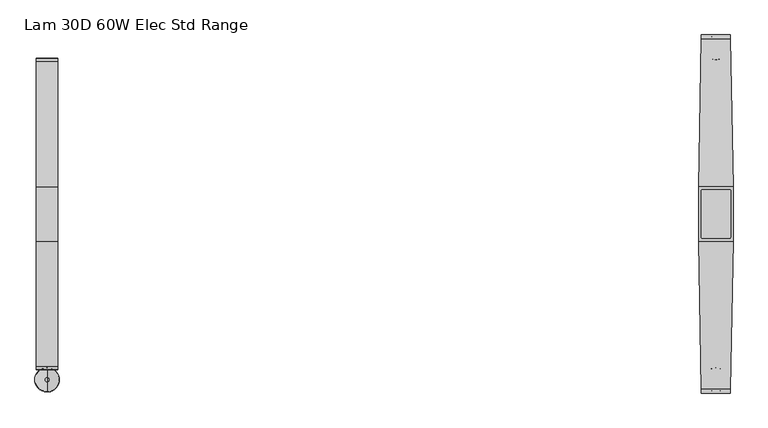
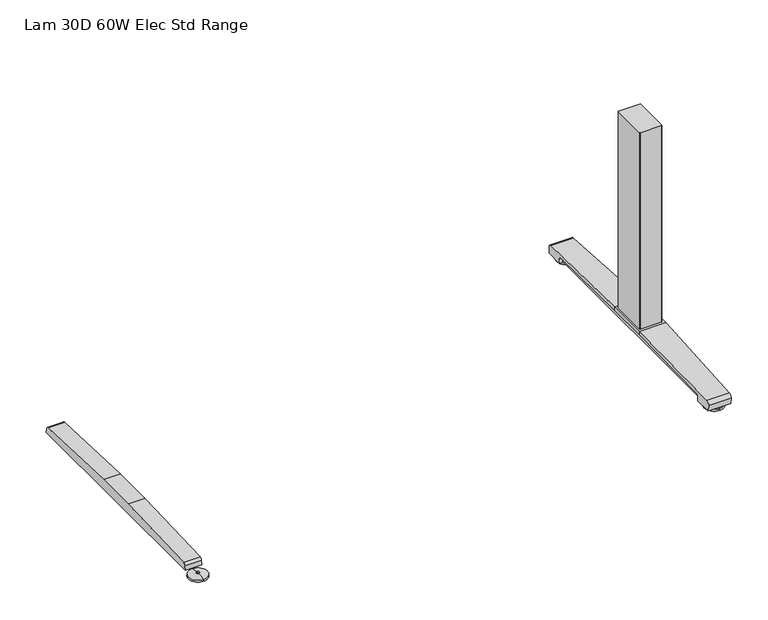
"""IFC4 building model written with IfcOpenShell, lengths in millimetres: furniture geometry, Lam 30D 60W Elec Std Range."""

from ifc_helpers import new_model, si_unit, point, frame, frame_2d, origin, place, context, project, spatial, polyline, circle_curve, ellipse_curve, trimmed, segment, composite_curve, outline, extrude, source, transform, mapped, element, save
from ifc_brep_helpers import plane_surface, cylinder_surface, revolved_surface, advanced_brep


def lam_30d_60w_elec_std_range_9026fa4e(model_context):
    return source(origin(), model_context, "Body", "SolidModel", [
        advanced_brep(
        [(-684.276, -364.1643617, 0.0), (-684.276, -313.9743384, 0.0), (-684.276, -339.06935, 0.0), (-684.276, -364.0796512, 5.0038001), (-684.276, -314.0590489, 5.0038001), (-684.276, -343.0698499, 8.4327997), (-684.276, -335.0688501, 8.4327997), (-684.276, -343.0698499, 10.0423733), (-684.276, -335.0688501, 10.0423733), (-684.276, -339.06935, 10.0423733)],
        [
            (0, 1, circle_curve(frame((-684.276, -339.06935, 0.0), z_axis=(0.0, 0.0, -1.0), x_axis=(0.0, 1.0, 0.0)), 25.0950117)),
            (1, 2),
            (2, 0),
            (1, 0, circle_curve(frame((-684.276, -339.06935, 0.0), z_axis=(0.0, 0.0, -1.0), x_axis=(0.0, 1.0, 0.0)), 25.0950117)),
            (3, 4, circle_curve(frame((-684.276, -339.06935, 5.0038001), z_axis=(0.0, 0.0, -1.0), x_axis=(0.0, 1.0, 0.0)), 25.0103012)),
            (4, 1),
            (0, 3),
            (4, 3, circle_curve(frame((-684.276, -339.06935, 5.0038001), z_axis=(0.0, 0.0, -1.0), x_axis=(0.0, 1.0, 0.0)), 25.0103012)),
            (5, 6, circle_curve(frame((-684.276, -339.06935, 8.4327997), z_axis=(0.0, 0.0, -1.0), x_axis=(0.0, 1.0, 0.0)), 4.0004999)),
            (6, 4, circle_curve(frame((-684.276, -335.0368668, -57.4502444), z_axis=(-1.0, 0.0, 0.0), x_axis=(0.0, 1.0, 0.0)), 65.8830518)),
            (3, 5, circle_curve(frame((-684.276, -343.1018333, -57.4502444), z_axis=(-1.0, 0.0, 0.0), x_axis=(0.0, -1.0, 0.0)), 65.8830518)),
            (6, 5, circle_curve(frame((-684.276, -339.06935, 8.4327997), z_axis=(0.0, 0.0, -1.0), x_axis=(0.0, 1.0, 0.0)), 4.0004999)),
            (7, 8, circle_curve(frame((-684.276, -339.06935, 10.0423733), z_axis=(0.0, 0.0, -1.0), x_axis=(0.0, 1.0, 0.0)), 4.0004999)),
            (8, 6),
            (5, 7),
            (8, 7, circle_curve(frame((-684.276, -339.06935, 10.0423733), z_axis=(0.0, 0.0, -1.0), x_axis=(0.0, 1.0, 0.0)), 4.0004999)),
            (9, 8),
            (7, 9),
        ],
        [
            plane_surface(frame((-684.276, -339.06935, 0.0), z_axis=(0.0, 0.0, -1.0), x_axis=(0.0, 1.0, 0.0))),
            revolved_surface(polyline([(-684.276, -313.9743384, 0.0), (-684.276, -314.0590489, 5.0038001)]), (-684.276, -339.06935, 0.0), (0.0, 0.0, 1.0)),
            revolved_surface(trimmed(ellipse_curve(frame((-684.276, -335.0368668, -57.4502444), z_axis=(1.0, 0.0, 0.0), x_axis=(0.0, 1.0, 0.0)), 65.8830518, 65.8830518), [point((-684.276, -314.0590489, 5.0038001))], [point((-684.276, -335.0688501, 8.4327997))], True, "CARTESIAN"), (-684.276, -339.06935, 0.0), (0.0, 0.0, 1.0)),
            cylinder_surface(frame((-684.276, -339.06935, 0.0), z_axis=(0.0, 0.0, 1.0), x_axis=(0.0, 1.0, 0.0)), 4.0004999),
            plane_surface(frame((-684.276, -339.06935, 10.0423733), z_axis=(0.0, 0.0, 1.0), x_axis=(0.0, 1.0, 0.0))),
        ],
        [
            (0, [[1, 2, 3]]),
            (0, [[4, -3, -2]]),
            (1, [[5, 6, -1, 7]]),
            (1, [[8, -7, -4, -6]]),
            (2, [[9, 10, -5, 11]]),
            (2, [[12, -11, -8, -10]]),
            (3, [[13, 14, -9, 15]]),
            (3, [[16, -15, -12, -14]]),
            (4, [[17, -13, 18]]),
            (4, [[-18, -16, -17]]),
        ],
    ),
        extrude(outline(composite_curve([segment(polyline([(317.3152602, 22.833301), (318.3038309, 11.5339019), (-318.3038309, 11.5339019), (-317.3152602, 22.833301)]), True, "CONTINUOUS"), segment(trimmed(circle_curve(frame_2d((-310.4929906, 22.2364289)), 6.8483297), [point((-317.3152602, 22.833301))], [point((-311.3603185, 29.0296138))], False, "CARTESIAN"), True, "CONTINUOUS"), segment(polyline([(-311.3603185, 29.0296138), (-56.1182127, 38.9541198), (56.1182127, 38.9541198), (311.3603185, 29.0296138)]), True, "CONTINUOUS"), segment(trimmed(circle_curve(frame_2d((310.4929906, 22.2364289)), 6.8483297), [point((311.3603185, 29.0296138))], [point((317.3152602, 22.833301))], False, "CARTESIAN"), True, "CONTINUOUS")], self_intersect=False)), frame((-706.2724, 0.0, 0.0), z_axis=(1.0, 0.0, 0.0), x_axis=(0.0, 1.0, 0.0)), (0.0, 0.0, 1.0), 43.9928),
        extrude(outline(composite_curve([segment(trimmed(circle_curve(frame_2d((711.8521079, 47.6421079)), 2.3323921), [point((711.8521079, 49.9745))], [point((714.1845, 47.6421079))], False, "CARTESIAN"), True, "CONTINUOUS"), segment(polyline([(714.1845, 47.6421079), (714.1845, -47.6421079)]), True, "CONTINUOUS"), segment(trimmed(circle_curve(frame_2d((711.8521079, -47.6421079)), 2.3323921), [point((714.1845, -47.6421079))], [point((711.8521079, -49.9745))], False, "CARTESIAN"), True, "CONTINUOUS"), segment(polyline([(711.8521079, -49.9745), (656.6998921, -49.9745)]), True, "CONTINUOUS"), segment(trimmed(circle_curve(frame_2d((656.6998921, -47.6421079)), 2.3323921), [point((656.6998921, -49.9745))], [point((654.3675, -47.6421079))], False, "CARTESIAN"), True, "CONTINUOUS"), segment(polyline([(654.3675, -47.6421079), (654.3675, 47.6421079)]), True, "CONTINUOUS"), segment(trimmed(circle_curve(frame_2d((656.6998921, 47.6421079)), 2.3323921), [point((654.3675, 47.6421079))], [point((656.6998921, 49.9745))], False, "CARTESIAN"), True, "CONTINUOUS"), segment(polyline([(656.6998921, 49.9745), (711.8521079, 49.9745)]), True, "CONTINUOUS")], self_intersect=False)), frame((0.0, 0.0, 48.10013), z_axis=(0.0, 0.0, 1.0), x_axis=(1.0, 0.0, 0.0)), (0.0, 0.0, 1.0), 550.9989485),
        advanced_brep(
        [(684.276, 314.8489737, 0.0), (684.276, 365.038997, 0.0), (684.276, 339.9439854, 0.0), (684.276, 314.9336842, 5.0038001), (684.276, 364.9542866, 5.0038001), (684.276, 335.9434855, 8.4327997), (684.276, 343.9444853, 8.4327997), (684.276, 335.9434855, 10.0423733), (684.276, 343.9444853, 10.0423733), (684.276, 339.9439854, 10.0423733)],
        [
            (0, 1, circle_curve(frame((684.276, 339.9439854, 0.0), z_axis=(0.0, 0.0, -1.0), x_axis=(0.0, 1.0, 0.0)), 25.0950117)),
            (1, 2),
            (2, 0),
            (1, 0, circle_curve(frame((684.276, 339.9439854, 0.0), z_axis=(0.0, 0.0, -1.0), x_axis=(0.0, 1.0, 0.0)), 25.0950117)),
            (3, 4, circle_curve(frame((684.276, 339.9439854, 5.0038001), z_axis=(0.0, 0.0, -1.0), x_axis=(0.0, 1.0, 0.0)), 25.0103012)),
            (4, 1),
            (0, 3),
            (4, 3, circle_curve(frame((684.276, 339.9439854, 5.0038001), z_axis=(0.0, 0.0, -1.0), x_axis=(0.0, 1.0, 0.0)), 25.0103012)),
            (5, 6, circle_curve(frame((684.276, 339.9439854, 8.4327997), z_axis=(0.0, 0.0, -1.0), x_axis=(0.0, 1.0, 0.0)), 4.0004999)),
            (6, 4, circle_curve(frame((684.276, 343.9764687, -57.4502444), z_axis=(-1.0, 0.0, 0.0), x_axis=(0.0, 1.0, 0.0)), 65.8830518)),
            (3, 5, circle_curve(frame((684.276, 335.9115021, -57.4502444), z_axis=(-1.0, 0.0, 0.0), x_axis=(0.0, -1.0, 0.0)), 65.8830518)),
            (6, 5, circle_curve(frame((684.276, 339.9439854, 8.4327997), z_axis=(0.0, 0.0, -1.0), x_axis=(0.0, 1.0, 0.0)), 4.0004999)),
            (7, 8, circle_curve(frame((684.276, 339.9439854, 10.0423733), z_axis=(0.0, 0.0, -1.0), x_axis=(0.0, 1.0, 0.0)), 4.0004999)),
            (8, 6),
            (5, 7),
            (8, 7, circle_curve(frame((684.276, 339.9439854, 10.0423733), z_axis=(0.0, 0.0, -1.0), x_axis=(0.0, 1.0, 0.0)), 4.0004999)),
            (9, 8),
            (7, 9),
        ],
        [
            plane_surface(frame((684.276, 339.9439854, 0.0), z_axis=(0.0, 0.0, -1.0), x_axis=(0.0, 1.0, 0.0))),
            revolved_surface(polyline([(684.276, 365.038997, 0.0), (684.276, 364.9542866, 5.0038001)]), (684.276, 339.9439854, 0.0), (0.0, 0.0, 1.0)),
            revolved_surface(trimmed(ellipse_curve(frame((684.276, 343.9764687, -57.4502444), z_axis=(1.0, 0.0, 0.0), x_axis=(0.0, 1.0, 0.0)), 65.8830518, 65.8830518), [point((684.276, 364.9542866, 5.0038001))], [point((684.276, 343.9444853, 8.4327997))], True, "CARTESIAN"), (684.276, 339.9439854, 0.0), (0.0, 0.0, 1.0)),
            cylinder_surface(frame((684.276, 339.9439854, 0.0), z_axis=(0.0, 0.0, 1.0), x_axis=(0.0, 1.0, 0.0)), 4.0004999),
            plane_surface(frame((684.276, 339.9439854, 10.0423733), z_axis=(0.0, 0.0, 1.0), x_axis=(0.0, 1.0, 0.0))),
        ],
        [
            (0, [[1, 2, 3]]),
            (0, [[4, -3, -2]]),
            (1, [[5, 6, -1, 7]]),
            (1, [[8, -7, -4, -6]]),
            (2, [[9, 10, -5, 11]]),
            (2, [[12, -11, -8, -10]]),
            (3, [[13, 14, -9, 15]]),
            (3, [[16, -15, -12, -14]]),
            (4, [[17, -13, 18]]),
            (4, [[-18, -16, -17]]),
        ],
    ),
        advanced_brep(
        [(684.276, -364.1643617, 0.0), (684.276, -313.9743384, 0.0), (684.276, -339.06935, 0.0), (684.276, -364.0796512, 5.0038001), (684.276, -314.0590489, 5.0038001), (684.276, -343.0698499, 8.4327997), (684.276, -335.0688501, 8.4327997), (684.276, -343.0698499, 10.0423733), (684.276, -335.0688501, 10.0423733), (684.276, -339.06935, 10.0423733)],
        [
            (0, 1, circle_curve(frame((684.276, -339.06935, 0.0), z_axis=(0.0, 0.0, -1.0), x_axis=(0.0, 1.0, 0.0)), 25.0950117)),
            (1, 2),
            (2, 0),
            (1, 0, circle_curve(frame((684.276, -339.06935, 0.0), z_axis=(0.0, 0.0, -1.0), x_axis=(0.0, 1.0, 0.0)), 25.0950117)),
            (3, 4, circle_curve(frame((684.276, -339.06935, 5.0038001), z_axis=(0.0, 0.0, -1.0), x_axis=(0.0, 1.0, 0.0)), 25.0103012)),
            (4, 1),
            (0, 3),
            (4, 3, circle_curve(frame((684.276, -339.06935, 5.0038001), z_axis=(0.0, 0.0, -1.0), x_axis=(0.0, 1.0, 0.0)), 25.0103012)),
            (5, 6, circle_curve(frame((684.276, -339.06935, 8.4327997), z_axis=(0.0, 0.0, -1.0), x_axis=(0.0, 1.0, 0.0)), 4.0004999)),
            (6, 4, circle_curve(frame((684.276, -335.0368668, -57.4502444), z_axis=(-1.0, 0.0, 0.0), x_axis=(0.0, 1.0, 0.0)), 65.8830518)),
            (3, 5, circle_curve(frame((684.276, -343.1018333, -57.4502444), z_axis=(-1.0, 0.0, 0.0), x_axis=(0.0, -1.0, 0.0)), 65.8830518)),
            (6, 5, circle_curve(frame((684.276, -339.06935, 8.4327997), z_axis=(0.0, 0.0, -1.0), x_axis=(0.0, 1.0, 0.0)), 4.0004999)),
            (7, 8, circle_curve(frame((684.276, -339.06935, 10.0423733), z_axis=(0.0, 0.0, -1.0), x_axis=(0.0, 1.0, 0.0)), 4.0004999)),
            (8, 6),
            (5, 7),
            (8, 7, circle_curve(frame((684.276, -339.06935, 10.0423733), z_axis=(0.0, 0.0, -1.0), x_axis=(0.0, 1.0, 0.0)), 4.0004999)),
            (9, 8),
            (7, 9),
        ],
        [
            plane_surface(frame((684.276, -339.06935, 0.0), z_axis=(0.0, 0.0, -1.0), x_axis=(0.0, 1.0, 0.0))),
            revolved_surface(polyline([(684.276, -313.9743384, 0.0), (684.276, -314.0590489, 5.0038001)]), (684.276, -339.06935, 0.0), (0.0, 0.0, 1.0)),
            revolved_surface(trimmed(ellipse_curve(frame((684.276, -335.0368668, -57.4502444), z_axis=(1.0, 0.0, 0.0), x_axis=(0.0, 1.0, 0.0)), 65.8830518, 65.8830518), [point((684.276, -314.0590489, 5.0038001))], [point((684.276, -335.0688501, 8.4327997))], True, "CARTESIAN"), (684.276, -339.06935, 0.0), (0.0, 0.0, 1.0)),
            cylinder_surface(frame((684.276, -339.06935, 0.0), z_axis=(0.0, 0.0, 1.0), x_axis=(0.0, 1.0, 0.0)), 4.0004999),
            plane_surface(frame((684.276, -339.06935, 10.0423733), z_axis=(0.0, 0.0, 1.0), x_axis=(0.0, 1.0, 0.0))),
        ],
        [
            (0, [[1, 2, 3]]),
            (0, [[4, -3, -2]]),
            (1, [[5, 6, -1, 7]]),
            (1, [[8, -7, -4, -6]]),
            (2, [[9, 10, -5, 11]]),
            (2, [[12, -11, -8, -10]]),
            (3, [[13, 14, -9, 15]]),
            (3, [[16, -15, -12, -14]]),
            (4, [[17, -13, 18]]),
            (4, [[-18, -16, -17]]),
        ],
    ),
        extrude(outline(polyline([(719.4068382, 56.1182127), (719.4068382, -56.1182127), (649.1451618, -56.1182127), (649.1451618, 56.1182127), (719.4068382, 56.1182127)])), frame((0.0, 0.0, 38.9541198), z_axis=(0.0, 0.0, 1.0), x_axis=(1.0, 0.0, 0.0)), (0.0, 0.0, 1.0), 9.1460102),
        advanced_brep(
        [(713.9505896, 366.395, 26.8186), (714.0822575, 358.907527, 35.7787117), (719.4068382, 56.1182127, 48.10013), (719.4068382, 56.1182127, 38.9541198), (714.91838, 311.3603185, 29.0296138), (714.8136618, 317.3152602, 22.833301), (714.7939845, 318.4342309, 10.0434261), (713.9760047, 364.9497362, 10.041053), (654.4701004, 358.907527, 35.7787117), (654.6017683, 366.395, 26.8186), (654.5763532, 364.9497362, 10.041053), (653.7583734, 318.4342309, 10.0434261), (653.7386962, 317.3152602, 22.833301), (653.6339779, 311.3603185, 29.0296138), (649.1455196, 56.1182064, 38.9541201), (649.1455197, 56.1182127, 48.10013)],
        [
            (0, 1, ellipse_curve(frame((714.095738, 358.1409412, 27.5296273), z_axis=(0.9998454179622464, 0.017582382657107536, 0.0), x_axis=(0.0175823826571035, -0.9998454179622464, 0.0)), 8.285908, 8.2846272)),
            (1, 2, ellipse_curve(frame((744.3288072, -1361.1024809, -38505.5680807), z_axis=(0.9998454179622464, 0.017582382657107536, 0.0), x_axis=(0.0175823826571035, -0.9998454179622464, 0.0)), 38585.6723619, 38579.7077101)),
            (2, 3),
            (3, 4),
            (4, 5, ellipse_curve(frame((714.9336321, 310.4929906, 22.2364289), z_axis=(-0.9998454179622464, -0.017582382657107536, 0.0), x_axis=(-0.0175823826571035, 0.9998454179622464, 0.0)), 6.8493884, 6.8483297)),
            (5, 6),
            (6, 7),
            (7, 0),
            (8, 9, ellipse_curve(frame((654.4566199, 358.1409412, 27.5296273), z_axis=(-0.9998454179622479, 0.01758238265702136, 0.0), x_axis=(0.017582382657016074, 0.9998454179622479, 0.0)), 8.285908, 8.2846272)),
            (9, 10),
            (10, 11),
            (11, 12),
            (12, 13, ellipse_curve(frame((653.6187259, 310.4929906, 22.2364289), z_axis=(0.9998454179622479, -0.01758238265702136, 0.0), x_axis=(-0.017582382657016074, -0.9998454179622479, 0.0)), 6.8493884, 6.8483297)),
            (13, 14),
            (14, 15),
            (15, 8, ellipse_curve(frame((624.2235507, -1361.1024809, -38505.5680807), z_axis=(-0.9998454179622479, 0.01758238265702136, 0.0), x_axis=(0.017582382657016074, 0.9998454179622479, 0.0)), 38585.6723619, 38579.7077101)),
            (0, 9),
            (8, 1),
            (7, 10),
            (6, 11),
            (5, 12),
            (4, 13),
            (3, 14),
            (2, 15),
        ],
        [
            plane_surface(frame((713.9226732, 367.9825, 48.10013), z_axis=(0.9998454179622464, 0.017582382657107536, 0.0), x_axis=(0.0, 0.0, -1.0))),
            plane_surface(frame((649.1455197, 56.1182127, 48.10013), z_axis=(-0.9998454179622479, 0.01758238265702136, 0.0), x_axis=(0.0, 0.0, -1.0))),
            cylinder_surface(frame((649.1451618, 358.1409412, 27.5296273), z_axis=(1.0, 0.0, 0.0), x_axis=(0.0, 1.0, 0.0)), 8.2846272),
            plane_surface(frame((719.4068382, 364.9497362, 10.041053), z_axis=(0.0, 0.996310236870306, -0.08582489095498451), x_axis=(-1.0, 0.0, 0.0))),
            plane_surface(frame((719.4068382, 318.4342309, 10.0434261), z_axis=(0.0, -5.101798419271786e-05, -0.9999999986985827), x_axis=(-1.0, 0.0, 0.0))),
            plane_surface(frame((719.4068382, 317.3152602, 22.833301), z_axis=(0.0, -0.9961946873837872, -0.08715586514009506), x_axis=(-1.0, 0.0, 0.0))),
            revolved_surface(polyline([(653.4982973321846, 317.3413203, 22.2364289), (715.0540606678159, 317.3413203, 22.2364289)]), (649.1451618, 310.4929906, 22.2364289), (-1.0, 0.0, 0.0)),
            plane_surface(frame((719.4068382, 56.1182127, 38.9541198), z_axis=(0.0, -0.03885335543744916, -0.9992449233152257), x_axis=(-1.0, 0.0, 0.0))),
            plane_surface(frame((719.4068382, 56.1182127, 48.10013), z_axis=(0.0, -1.0, 0.0), x_axis=(-1.0, 0.0, 0.0))),
            cylinder_surface(frame((649.1451618, -1361.1024809, -38505.5680807), z_axis=(1.0, 0.0, 0.0), x_axis=(0.0, 1.0, 0.0)), 38579.7077101),
        ],
        [
            (0, [[1, 2, 3, 4, 5, 6, 7, 8]]),
            (1, [[9, 10, 11, 12, 13, 14, 15, 16]]),
            (2, [[17, -9, 18, -1]]),
            (3, [[-17, -8, 19, -10]]),
            (4, [[-19, -7, 20, -11]]),
            (5, [[-20, -6, 21, -12]]),
            (6, [[-21, -5, 22, -13]]),
            (7, [[23, -14, -22, -4]]),
            (8, [[-23, -3, 24, -15]]),
            (9, [[-24, -2, -18, -16]]),
        ],
    ),
        extrude(outline(composite_curve([segment(polyline([(317.3152602, 22.833301), (318.3038309, 11.5339019), (-318.3038309, 11.5339019), (-317.3152602, 22.833301)]), True, "CONTINUOUS"), segment(trimmed(circle_curve(frame_2d((-310.4929906, 22.2364289)), 6.8483297), [point((-317.3152602, 22.833301))], [point((-311.3603185, 29.0296138))], False, "CARTESIAN"), True, "CONTINUOUS"), segment(polyline([(-311.3603185, 29.0296138), (-56.1182127, 38.9541198), (56.1182127, 38.9541198), (311.3603185, 29.0296138)]), True, "CONTINUOUS"), segment(trimmed(circle_curve(frame_2d((310.4929906, 22.2364289)), 6.8483297), [point((311.3603185, 29.0296138))], [point((317.3152602, 22.833301))], False, "CARTESIAN"), True, "CONTINUOUS")], self_intersect=False)), frame((662.2796, 0.0, 0.0), z_axis=(1.0, 0.0, 0.0), x_axis=(0.0, 1.0, 0.0)), (0.0, 0.0, 1.0), 43.9928),
        advanced_brep(
        [(714.0822575, -358.907527, 35.7787117), (654.4701004, -358.907527, 35.7787117), (654.6017683, -366.395, 26.8186), (713.9505896, -366.395, 26.8186), (654.5763532, -364.9497362, 10.041053), (713.9760047, -364.9497362, 10.041053), (653.7583734, -318.4342309, 10.0434261), (714.7939845, -318.4342309, 10.0434261), (653.7386962, -317.3152602, 22.833301), (714.8136618, -317.3152602, 22.833301), (653.6339779, -311.3603185, 29.0296138), (714.91838, -311.3603185, 29.0296138), (649.1451618, -56.1182127, 38.9541198), (719.4068382, -56.1182127, 38.9541198), (649.1455197, -56.1182127, 48.10013), (719.4068382, -56.1182127, 48.10013)],
        [
            (0, 1),
            (1, 2, ellipse_curve(frame((654.4566199, -358.1409412, 27.5296273), z_axis=(0.9998454179622465, 0.017582382657103688, 0.0), x_axis=(0.01758238265709472, -0.9998454179622466, 0.0)), 8.285908, 8.2846272)),
            (2, 3),
            (3, 0, ellipse_curve(frame((714.095738, -358.1409412, 27.5296273), z_axis=(-0.9998454179622464, 0.01758238265710631, 0.0), x_axis=(0.017582382657107924, 0.9998454179622464, 0.0)), 8.285908, 8.2846272)),
            (2, 4),
            (4, 5),
            (5, 3),
            (4, 6),
            (6, 7),
            (7, 5),
            (6, 8),
            (8, 9),
            (9, 7),
            (8, 10, ellipse_curve(frame((653.6187259, -310.4929906, 22.2364289), z_axis=(-0.9998454179622465, -0.017582382657103688, 0.0), x_axis=(-0.01758238265709472, 0.9998454179622466, 0.0)), 6.8493884, 6.8483297)),
            (10, 11),
            (11, 9, ellipse_curve(frame((714.9336321, -310.4929906, 22.2364289), z_axis=(0.9998454179622464, -0.01758238265710631, 0.0), x_axis=(-0.017582382657107924, -0.9998454179622464, 0.0)), 6.8493884, 6.8483297)),
            (12, 13),
            (13, 11),
            (10, 12),
            (12, 14),
            (14, 15),
            (15, 13),
            (15, 0, ellipse_curve(frame((744.3288072, 1361.1024809, -38505.568082), z_axis=(0.9998454179622464, -0.01758238265710631, 0.0), x_axis=(0.017582382657107924, 0.9998454179622464, 0.0)), 38585.6723633, 38579.7077114)),
            (1, 14, ellipse_curve(frame((624.2235507, 1361.1024809, -38505.568082), z_axis=(-0.9998454179622465, -0.017582382657103688, 0.0), x_axis=(0.01758238265709472, -0.9998454179622466, 0.0)), 38585.6723633, 38579.7077114)),
        ],
        [
            cylinder_surface(frame((649.1451618, -358.1409412, 27.5296273), z_axis=(1.0, 0.0, 0.0), x_axis=(0.0, 1.0, 0.0)), 8.2846272),
            plane_surface(frame((719.4068382, -366.395, 26.8186), z_axis=(0.0, -0.9963102368705575, -0.08582489095206428), x_axis=(-1.0, 0.0, 0.0))),
            plane_surface(frame((719.4068382, -364.9497362, 10.041053), z_axis=(0.0, 5.10179839128194e-05, -0.9999999986985827), x_axis=(-1.0, 0.0, 0.0))),
            plane_surface(frame((719.4068382, -318.4342309, 10.0434261), z_axis=(0.0, 0.9961946873837977, -0.08715586513997582), x_axis=(-1.0, 0.0, 0.0))),
            revolved_surface(polyline([(653.498297332184, -303.64466089999996, 22.2364289), (715.0540606678159, -303.64466089999996, 22.2364289)]), (649.1451618, -310.4929906, 22.2364289), (-1.0, 0.0, 0.0)),
            plane_surface(frame((719.4068382, -311.3603185, 29.0296138), z_axis=(0.0, 0.03885335543746911, -0.999244923315225), x_axis=(-1.0, 0.0, 0.0))),
            plane_surface(frame((719.4068382, -56.1182127, 38.9541198), z_axis=(0.0, 1.0, 0.0), x_axis=(-1.0, 0.0, 0.0))),
            plane_surface(frame((719.4068382, -56.1182127, 48.10013), z_axis=(0.9998454179622464, -0.01758238265710631, 0.0), x_axis=(0.0, 0.0, -1.0))),
            plane_surface(frame((654.6296847, -367.9825, 48.10013), z_axis=(-0.9998454179622465, -0.017582382657103688, 0.0), x_axis=(0.0, 0.0, -1.0))),
            cylinder_surface(frame((649.1451618, 1361.1024809, -38505.568082), z_axis=(1.0, 0.0, 0.0), x_axis=(0.0, 1.0, 0.0)), 38579.7077114),
        ],
        [
            (0, [[1, 2, 3, 4]]),
            (1, [[-3, 5, 6, 7]]),
            (2, [[-6, 8, 9, 10]]),
            (3, [[-9, 11, 12, 13]]),
            (4, [[-12, 14, 15, 16]]),
            (5, [[17, 18, -15, 19]]),
            (6, [[-17, 20, 21, 22]]),
            (7, [[-4, -7, -10, -13, -16, -18, -22, 23]]),
            (8, [[-2, 24, -20, -19, -14, -11, -8, -5]]),
            (9, [[-21, -24, -1, -23]]),
        ],
    ),
    ])


if __name__ == "__main__":
    model = new_model("IFC4")
    model_context = context("Model", 3, world=origin())
    ifc_project = project(units=[si_unit("LENGTHUNIT", "METRE", prefix="MILLI")], contexts=[model_context])
    site = spatial("IfcSite", under=ifc_project)
    building = spatial("IfcBuilding", under=site)
    placement = place(None, origin())
    lam_30d_60w_elec_std_range_shape = lam_30d_60w_elec_std_range_9026fa4e(model_context)
    element("IfcFurniture", 1, ObjectType="Lam 30D 60W Elec Std Range", at=placement, inside=building, context=model_context, shape_type="MappedRepresentation", body=[
        mapped(lam_30d_60w_elec_std_range_shape, transform((0.0, 0.0, 0.0), x_axis=(1.0, 0.0, 0.0), y_axis=(0.0, 1.0, 0.0), z_axis=(0.0, 0.0, 1.0))),
    ])
    save(model, "model.ifc")
